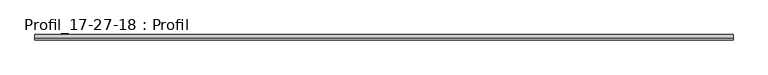
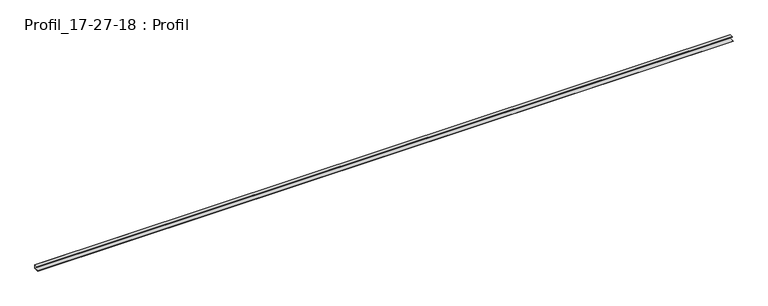
"""IFC4 building model written with IfcOpenShell, lengths in millimetres: proxy geometry, Profil_17-27-18 : Profil."""

from ifc_helpers import new_model, si_unit, frame, origin, place, context, project, spatial, polyline, outline, extrude, source, transform, mapped, element, save


def profil_17_27_18_profil_ffbca623(model_context):
    return source(origin(), model_context, "Body", "SweptSolid", [
        extrude(outline(polyline([(0.0, 19.0), (0.0, 0.0), (-27.0, 0.0), (-27.0, 0.8), (-0.8, 0.8), (-0.8, 18.2), (-18.0, 18.2), (-18.0, 19.0), (0.0, 19.0)])), frame((0.0, 0.0, 0.0), z_axis=(1.0, 0.0, 0.0), x_axis=(0.0, 1.0, 0.0)), (0.0, 0.0, 1.0), 3600.0),
    ])


if __name__ == "__main__":
    model = new_model("IFC4")
    model_context = context("Model", 3, world=origin())
    ifc_project = project(units=[si_unit("LENGTHUNIT", "METRE", prefix="MILLI")], contexts=[model_context])
    site = spatial("IfcSite", under=ifc_project)
    building = spatial("IfcBuilding", under=site)
    placement = place(None, origin())
    profil_17_27_18_profil_shape = profil_17_27_18_profil_ffbca623(model_context)
    element("IfcBuildingElementProxy", 1, Name="Profil_17-27-18 : Profil", ObjectType="Profil_17-27-18 : Profil", at=placement, inside=building, context=model_context, shape_type="MappedRepresentation", body=[
        mapped(profil_17_27_18_profil_shape, transform((0.0, 0.0, 0.0), x_axis=(1.0, 0.0, 0.0), y_axis=(0.0, 1.0, 0.0), z_axis=(0.0, 0.0, 1.0))),
    ])
    save(model, "model.ifc")
